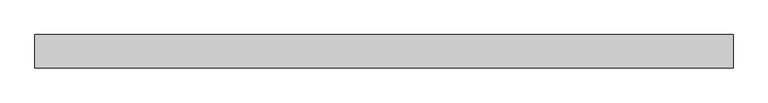
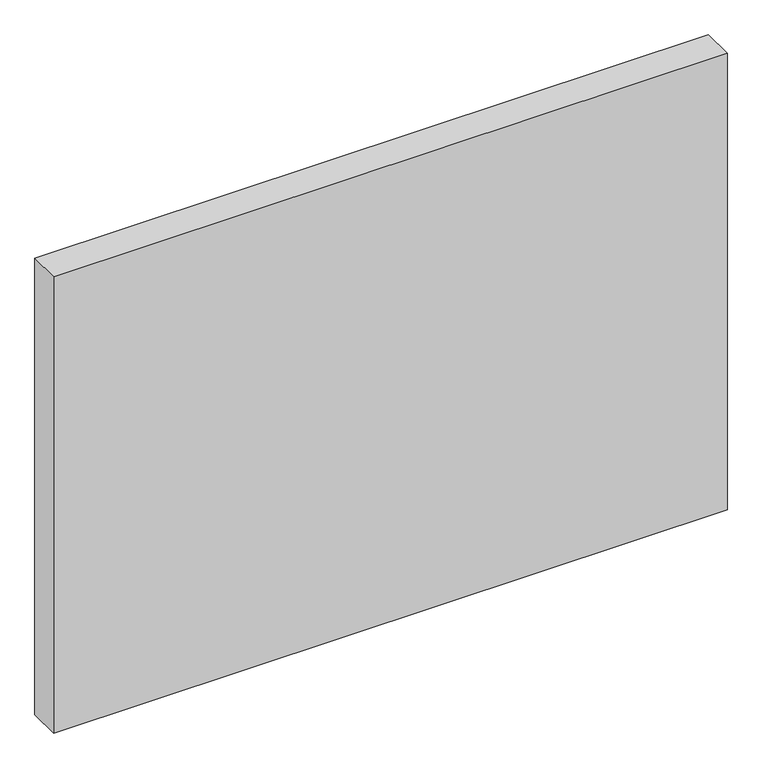
"""IFC4 building model written with IfcOpenShell, lengths in millimetres: proxy geometry."""

from ifc_helpers import new_model, si_unit, frame, origin, place, context, project, spatial, polyline, outline, extrude, source, transform, mapped, element, save


def generic_models_620007b3(model_context):
    return source(origin(), model_context, "Body", "SweptSolid", [
        extrude(outline(polyline([(1830.5, 0.0), (1830.5, -175.0), (-1830.5, -175.0), (-1830.5, 0.0), (1830.5, 0.0)])), frame((0.0, 0.0, -140.0), z_axis=(0.0, 0.0, 1.0), x_axis=(1.0, 0.0, 0.0)), (0.0, 0.0, 1.0), 2621.4),
    ])


if __name__ == "__main__":
    model = new_model("IFC4")
    model_context = context("Model", 3, world=origin())
    ifc_project = project(units=[si_unit("LENGTHUNIT", "METRE", prefix="MILLI")], contexts=[model_context])
    site = spatial("IfcSite", under=ifc_project)
    building = spatial("IfcBuilding", under=site)
    placement = place(None, origin())
    generic_models_shape = generic_models_620007b3(model_context)
    element("IfcBuildingElementProxy", 1, Name="Generic Models", at=placement, inside=building, context=model_context, shape_type="MappedRepresentation", body=[
        mapped(generic_models_shape, transform((0.0, 0.0, 0.0), x_axis=(1.0, 0.0, 0.0), y_axis=(0.0, 1.0, 0.0), z_axis=(0.0, 0.0, 1.0))),
    ])
    save(model, "model.ifc")
